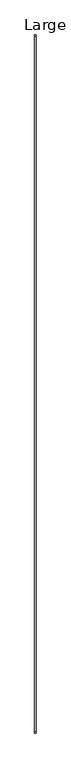
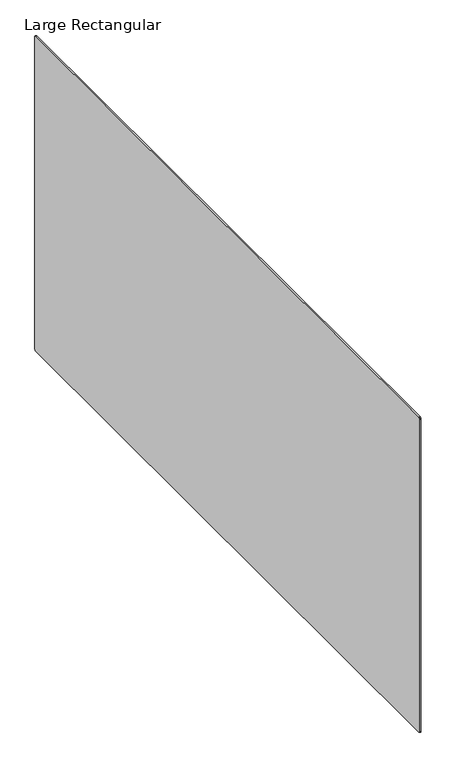
"""IFC4 building model written with IfcOpenShell, lengths in millimetres: furniture geometry, Large Rectangular."""

from ifc_helpers import new_model, si_unit, point, frame, frame_2d, origin, place, context, project, spatial, polyline, circle_curve, trimmed, segment, composite_curve, outline, extrude, source, transform, mapped, element, save


def large_rectangular_9fa3a068(model_context):
    return source(origin(), model_context, "Body", "SweptSolid", [
        extrude(outline(composite_curve([segment(polyline([(-1437.0, 1251.6), (859.0, 1251.6)]), True, "CONTINUOUS"), segment(trimmed(circle_curve(frame_2d((859.0, 1246.6)), 5.0), [point((859.0, 1251.6))], [point((864.0, 1246.6))], False, "CARTESIAN"), True, "CONTINUOUS"), segment(polyline([(864.0, 1246.6), (864.0, 106.6)]), True, "CONTINUOUS"), segment(trimmed(circle_curve(frame_2d((859.0, 106.6)), 5.0), [point((864.0, 106.6))], [point((859.0, 101.6))], False, "CARTESIAN"), True, "CONTINUOUS"), segment(polyline([(859.0, 101.6), (-1437.0, 101.6)]), True, "CONTINUOUS"), segment(trimmed(circle_curve(frame_2d((-1437.0, 106.6)), 5.0), [point((-1437.0, 101.6))], [point((-1442.0, 106.6))], False, "CARTESIAN"), True, "CONTINUOUS"), segment(polyline([(-1442.0, 106.6), (-1442.0, 1246.6)]), True, "CONTINUOUS"), segment(trimmed(circle_curve(frame_2d((-1437.0, 1246.6)), 5.0), [point((-1442.0, 1246.6))], [point((-1437.0, 1251.6))], False, "CARTESIAN"), True, "CONTINUOUS")], self_intersect=False)), frame((-4.0, 0.0, 0.0), z_axis=(1.0, 0.0, 0.0), x_axis=(0.0, 1.0, 0.0)), (0.0, 0.0, 1.0), 4.0),
    ])


if __name__ == "__main__":
    model = new_model("IFC4")
    model_context = context("Model", 3, world=origin())
    ifc_project = project(units=[si_unit("LENGTHUNIT", "METRE", prefix="MILLI")], contexts=[model_context])
    site = spatial("IfcSite", under=ifc_project)
    building = spatial("IfcBuilding", under=site)
    placement = place(None, origin())
    large_rectangular_shape = large_rectangular_9fa3a068(model_context)
    element("IfcFurniture", 1, ObjectType="Large Rectangular", at=placement, inside=building, context=model_context, shape_type="MappedRepresentation", body=[
        mapped(large_rectangular_shape, transform((0.0, 0.0, 0.0), x_axis=(1.0, 0.0, 0.0), y_axis=(0.0, 1.0, 0.0), z_axis=(0.0, 0.0, 1.0))),
    ])
    save(model, "model.ifc")
